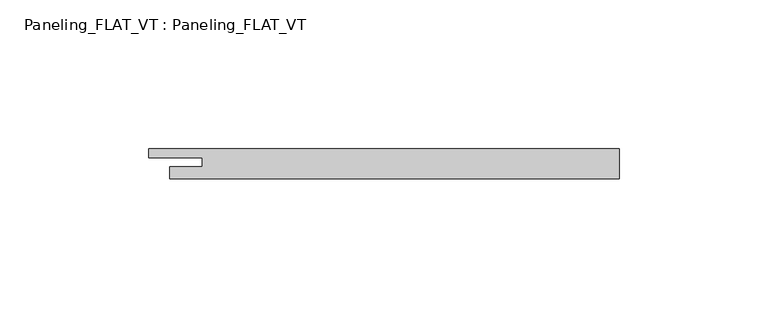
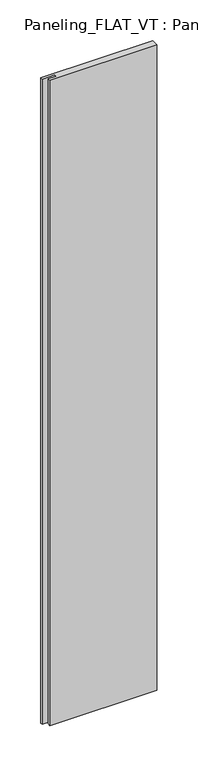
"""IFC4 building model written with IfcOpenShell, lengths in millimetres: plate geometry, Paneling_FLAT_VT : Paneling_FLAT_VT."""

from ifc_helpers import new_model, si_unit, origin, origin_with_axes, place, context, project, spatial, polyline, outline, extrude, source, transform, mapped, element, save


def paneling_flat_vt_paneling_flat_vt_ba1734ec(model_context):
    return source(origin(), model_context, "Body", "SweptSolid", [
        extrude(outline(polyline([(75.5, -5.0), (-75.5, -5.0), (-75.5, -1.0), (-64.5, -1.0), (-64.5, 2.0), (-82.5, 2.0), (-82.5, 5.0), (75.5, 5.0), (75.5, -5.0)])), origin_with_axes(), (0.0, 0.0, 1.0), 964.5),
    ])


if __name__ == "__main__":
    model = new_model("IFC4")
    model_context = context("Model", 3, world=origin())
    ifc_project = project(units=[si_unit("LENGTHUNIT", "METRE", prefix="MILLI")], contexts=[model_context])
    site = spatial("IfcSite", under=ifc_project)
    building = spatial("IfcBuilding", under=site)
    placement = place(None, origin())
    paneling_flat_vt_paneling_flat_vt_shape = paneling_flat_vt_paneling_flat_vt_ba1734ec(model_context)
    element("IfcPlate", 1, ObjectType="Paneling_FLAT_VT : Paneling_FLAT_VT", at=placement, inside=building, context=model_context, shape_type="MappedRepresentation", body=[
        mapped(paneling_flat_vt_paneling_flat_vt_shape, transform((0.0, 0.0, 0.0), x_axis=(1.0, 0.0, 0.0), y_axis=(0.0, 1.0, 0.0), z_axis=(0.0, 0.0, 1.0))),
    ])
    save(model, "model.ifc")
